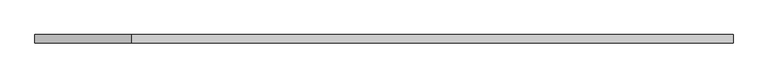
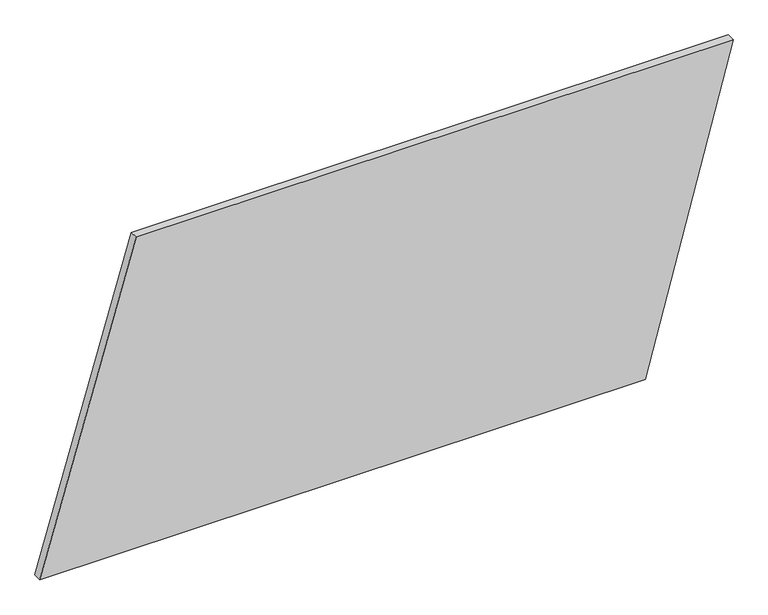
"""IFC4 building model written with IfcOpenShell, lengths in millimetres: plate geometry."""

from ifc_helpers import new_model, si_unit, frame, origin, place, context, project, spatial, polyline, outline, extrude, source, transform, mapped, element, save


def plate_22a198d0(model_context):
    return source(origin(), model_context, "Body", "SweptSolid", [
        extrude(outline(polyline([(0.0, -1054.9541342), (0.0, 787.0049417), (1000.0, 1054.9541342), (1000.0, -761.7086856), (0.0, -1054.9541342)])), frame((0.0, 24.5, 0.0), z_axis=(0.0, 1.0, 0.0), x_axis=(0.0, 0.0, 1.0)), (0.0, 0.0, 1.0), 25.0),
    ])


if __name__ == "__main__":
    model = new_model("IFC4")
    model_context = context("Model", 3, world=origin())
    ifc_project = project(units=[si_unit("LENGTHUNIT", "METRE", prefix="MILLI")], contexts=[model_context])
    site = spatial("IfcSite", under=ifc_project)
    building = spatial("IfcBuilding", under=site)
    placement = place(None, origin())
    plate_shape = plate_22a198d0(model_context)
    element("IfcPlate", 1, at=placement, inside=building, context=model_context, shape_type="MappedRepresentation", body=[
        mapped(plate_shape, transform((0.0, 0.0, 0.0), x_axis=(1.0, 0.0, 0.0), y_axis=(0.0, 1.0, 0.0), z_axis=(0.0, 0.0, 1.0))),
    ])
    save(model, "model.ifc")
